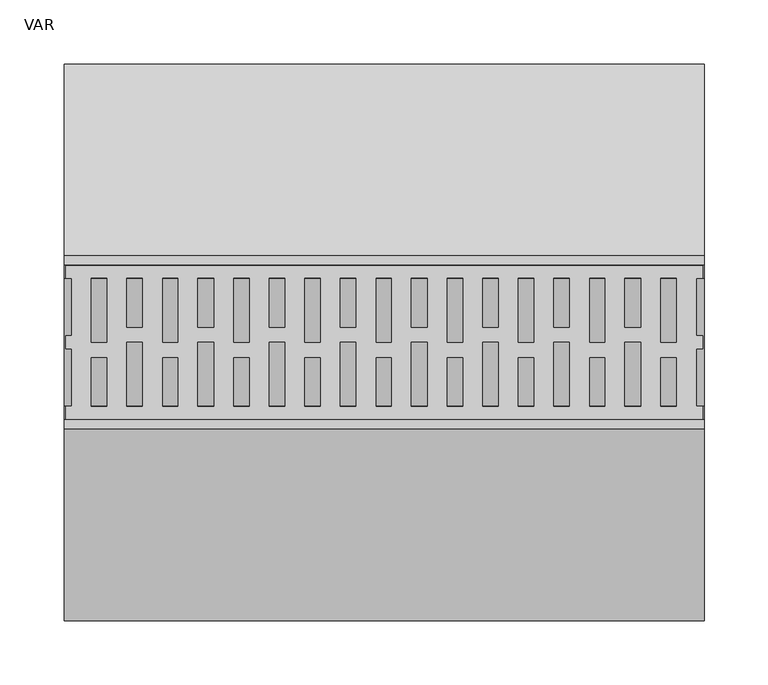
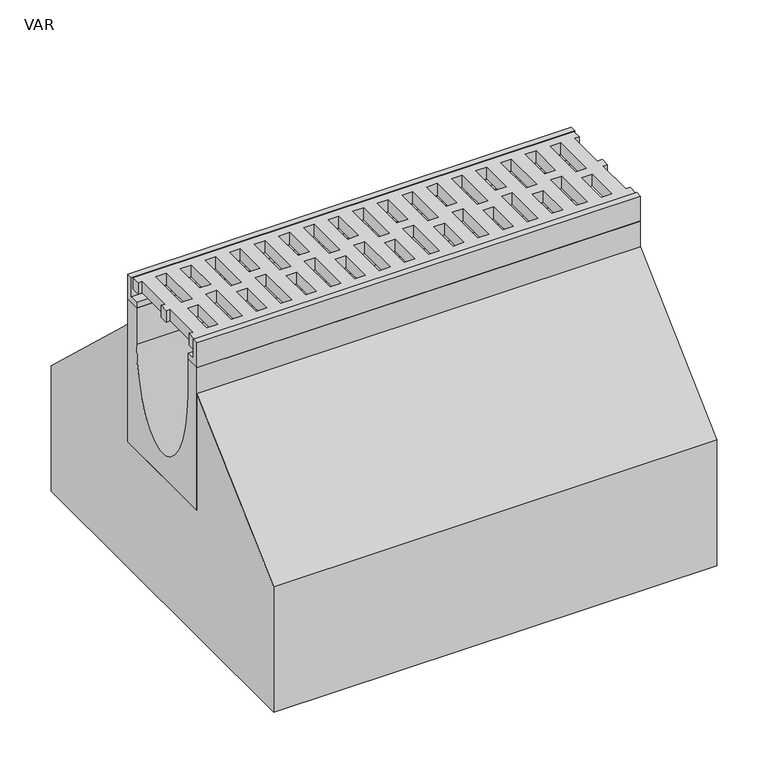
"""IFC4 building model written with IfcOpenShell, lengths in millimetres: flow terminal geometry, VAR."""

from ifc_helpers import new_model, si_unit, point, frame, origin, place, context, project, spatial, polyline, ellipse_curve, trimmed, outline, extrude, source, transform, mapped, element, save
from ifc_brep_helpers import plane_surface, extruded_surface, advanced_brep


def var_8a124b50(model_context):
    return source(origin(), model_context, "Body", "SolidModel", [
        extrude(outline(polyline([(499.0, 50.0), (493.7871589, 50.0), (493.7871589, 5.0), (499.0, 5.0), (499.0, -5.0), (493.9604202, -5.0), (493.9604202, -50.0), (499.0, -50.0), (499.0, -60.0), (1.5, -60.0), (1.5, -50.0), (6.0847381, -50.0), (6.0847381, -5.0), (1.5, -5.0), (1.5, 5.0), (6.0847381, 5.0), (6.0847381, 50.0), (1.5, 50.0), (1.5, 60.0), (499.0, 60.0), (499.0, 50.0)]), holes=[polyline([(478.2, 50.0), (466.2429028, 50.0), (466.2429028, 0.0), (478.2, 0.0), (478.2, 50.0)]), polyline([(422.6, 50.0), (410.6429028, 50.0), (410.6429028, 0.0), (422.6, 0.0), (422.6, 50.0)]), polyline([(367.0, 50.0), (355.0429028, 50.0), (355.0429028, 0.0), (367.0, 0.0), (367.0, 50.0)]), polyline([(311.4, 50.0), (299.4429028, 50.0), (299.4429028, 0.0), (311.4, 0.0), (311.4, 50.0)]), polyline([(255.8, 50.0), (243.8429028, 50.0), (243.8429028, 0.0), (255.8, 0.0), (255.8, 50.0)]), polyline([(200.2, 50.0), (188.2429028, 50.0), (188.2429028, 0.0), (200.2, 0.0), (200.2, 50.0)]), polyline([(144.6, 50.0), (132.6429028, 50.0), (132.6429028, 0.0), (144.6, 0.0), (144.6, 50.0)]), polyline([(89.0, 50.0), (77.0429028, 50.0), (77.0429028, 0.0), (89.0, 0.0), (89.0, 50.0)]), polyline([(49.0305238, -50.0), (61.2, -50.0), (61.2, 0.0), (49.0305238, 0.0), (49.0305238, -50.0)]), polyline([(104.6305238, -50.0), (116.8, -50.0), (116.8, 0.0), (104.6305238, 0.0), (104.6305238, -50.0)]), polyline([(160.2305238, -50.0), (172.4, -50.0), (172.4, 0.0), (160.2305238, 0.0), (160.2305238, -50.0)]), polyline([(215.8305238, -50.0), (228.0, -50.0), (228.0, 0.0), (215.8305238, 0.0), (215.8305238, -50.0)]), polyline([(271.4305238, -50.0), (283.6, -50.0), (283.6, 0.0), (271.4305238, 0.0), (271.4305238, -50.0)]), polyline([(327.0305238, -50.0), (339.2, -50.0), (339.2, 0.0), (327.0305238, 0.0), (327.0305238, -50.0)]), polyline([(382.6305238, -50.0), (394.8, -50.0), (394.8, 0.0), (382.6305238, 0.0), (382.6305238, -50.0)]), polyline([(438.2305238, -50.0), (450.4, -50.0), (450.4, 0.0), (438.2305238, 0.0), (438.2305238, -50.0)]), polyline([(450.4, 50.0), (438.2305238, 50.0), (438.2305238, 11.948473), (450.4, 11.948473), (450.4, 50.0)]), polyline([(394.8, 50.0), (382.6305238, 50.0), (382.6305238, 11.948473), (394.8, 11.948473), (394.8, 50.0)]), polyline([(339.2, 50.0), (327.0305238, 50.0), (327.0305238, 11.948473), (339.2, 11.948473), (339.2, 50.0)]), polyline([(283.6, 50.0), (271.4305238, 50.0), (271.4305238, 11.948473), (283.6, 11.948473), (283.6, 50.0)]), polyline([(228.0, 50.0), (215.8305238, 50.0), (215.8305238, 11.948473), (228.0, 11.948473), (228.0, 50.0)]), polyline([(172.4, 50.0), (160.2305238, 50.0), (160.2305238, 11.948473), (172.4, 11.948473), (172.4, 50.0)]), polyline([(116.8, 50.0), (104.6305238, 50.0), (104.6305238, 11.948473), (116.8, 11.948473), (116.8, 50.0)]), polyline([(61.2, 50.0), (49.0305238, 50.0), (49.0305238, 11.948473), (61.2, 11.948473), (61.2, 50.0)]), polyline([(478.2, -50.0), (478.2, -11.948473), (466.2, -11.948473), (466.2, -50.0), (478.2, -50.0)]), polyline([(422.6, -50.0), (422.6, -11.948473), (410.6, -11.948473), (410.6, -50.0), (422.6, -50.0)]), polyline([(367.0, -50.0), (367.0, -11.948473), (355.0, -11.948473), (355.0, -50.0), (367.0, -50.0)]), polyline([(311.4, -50.0), (311.4, -11.948473), (299.4, -11.948473), (299.4, -50.0), (311.4, -50.0)]), polyline([(255.8, -50.0), (255.8, -11.948473), (243.8, -11.948473), (243.8, -50.0), (255.8, -50.0)]), polyline([(200.2, -50.0), (200.2, -11.948473), (188.2, -11.948473), (188.2, -50.0), (200.2, -50.0)]), polyline([(144.6, -50.0), (144.6, -11.948473), (132.6, -11.948473), (132.6, -50.0), (144.6, -50.0)]), polyline([(89.0, -50.0), (89.0, -11.948473), (77.0, -11.948473), (77.0, -50.0), (89.0, -50.0)]), polyline([(33.4, -50.0), (33.4, -11.948473), (21.4, -11.948473), (21.4, -50.0), (33.4, -50.0)]), polyline([(33.4, 50.0), (21.4429028, 50.0), (21.4429028, 0.0), (33.4, 0.0), (33.4, 50.0)])]), frame((0.0, 0.0, -14.0), z_axis=(0.0, 0.0, 1.0), x_axis=(1.0, 0.0, 0.0)), (0.0, 0.0, 1.0), 14.0),
        advanced_brep(
        [(0.0, 50.0, -30.0), (0.0, 67.5, -30.0), (0.0, 67.5, -200.0), (0.0, -67.5, -200.0), (0.0, -67.5, -30.0), (0.0, -50.0, -30.0), (0.0, -50.0, -73.0), (0.0, 50.0, -73.0), (500.0, 50.0, -30.0), (500.0, 50.0, -73.0), (500.0, -50.0, -73.0), (500.0, -50.0, -30.0), (500.0, -67.5, -30.0), (500.0, -67.5, -200.0), (500.0, 67.5, -200.0), (500.0, 67.5, -30.0)],
        [
            (0, 1),
            (1, 2),
            (2, 3),
            (3, 4),
            (4, 5),
            (5, 6),
            (6, 7, ellipse_curve(frame((0.0, 0.0, -73.0), z_axis=(1.0, 0.0, 0.0), x_axis=(0.0, 1.0, 0.0)), 50.0, 100.0)),
            (7, 0),
            (8, 9),
            (9, 10, ellipse_curve(frame((500.0, 0.0, -73.0), z_axis=(-1.0, 0.0, 0.0), x_axis=(0.0, 1.0, 0.0)), 50.0, 100.0)),
            (10, 11),
            (11, 12),
            (12, 13),
            (13, 14),
            (14, 15),
            (15, 8),
            (8, 0),
            (7, 9),
            (6, 10),
            (5, 11),
            (4, 12),
            (3, 13),
            (2, 14),
            (1, 15),
        ],
        [
            plane_surface(frame((0.0, 0.0, -83.25), z_axis=(-1.0, 0.0, 0.0), x_axis=(0.0, 0.0, -1.0))),
            plane_surface(frame((500.0, 0.0, -83.25), z_axis=(1.0, 0.0, 0.0), x_axis=(0.0, 0.0, -1.0))),
            plane_surface(frame((500.0, 50.0, -51.5), z_axis=(0.0, -1.0, 0.0), x_axis=(0.0, 0.0, -1.0))),
            extruded_surface(trimmed(ellipse_curve(frame((0.0, 0.0, -73.0), z_axis=(-1.0, 0.0, 0.0), x_axis=(0.0, 1.0, 0.0)), 50.0, 100.0), [point((0.0, 50.0, -73.0))], [point((0.0, -50.0, -73.0))], True, "CARTESIAN"), (500.0, 0.0, 0.0), 500.0),
            plane_surface(frame((500.0, -50.0, -51.5), z_axis=(0.0, 1.0, 0.0), x_axis=(0.0, 0.0, 1.0))),
            plane_surface(frame((500.0, -58.75, -30.0), z_axis=(0.0, 0.0, 1.0), x_axis=(0.0, -1.0, 0.0))),
            plane_surface(frame((500.0, -67.5, -115.0), z_axis=(0.0, -1.0, 0.0), x_axis=(0.0, 0.0, -1.0))),
            plane_surface(frame((500.0, 0.0, -200.0), z_axis=(0.0, 0.0, -1.0), x_axis=(0.0, 1.0, 0.0))),
            plane_surface(frame((500.0, 67.5, -115.0), z_axis=(0.0, 1.0, 0.0), x_axis=(0.0, 0.0, 1.0))),
            plane_surface(frame((500.0, 58.75, -30.0), z_axis=(0.0, 0.0, 1.0), x_axis=(0.0, -1.0, 0.0))),
        ],
        [
            (0, [[1, 2, 3, 4, 5, 6, 7, 8]]),
            (1, [[9, 10, 11, 12, 13, 14, 15, 16]]),
            (2, [[17, -8, 18, -9]]),
            (3, [[-18, -7, 19, -10]]),
            (4, [[-19, -6, 20, -11]]),
            (5, [[-20, -5, 21, -12]]),
            (6, [[-21, -4, 22, -13]]),
            (7, [[-22, -3, 23, -14]]),
            (8, [[-23, -2, 24, -15]]),
            (9, [[-24, -1, -17, -16]]),
        ],
    ),
        extrude(outline(polyline([(60.5, 0.0), (67.5, 0.0), (67.5, -30.0), (50.0, -30.0), (50.0, -23.0), (60.5, -23.0), (60.5, 0.0)])), frame((0.0, 0.0, 0.0), z_axis=(1.0, 0.0, 0.0), x_axis=(0.0, 1.0, 0.0)), (0.0, 0.0, 1.0), 500.0),
        extrude(outline(polyline([(-60.5, 0.0), (-60.5, -23.0), (-50.0, -23.0), (-50.0, -30.0), (-67.5, -30.0), (-67.5, 0.0), (-60.5, 0.0)])), frame((0.0, 0.0, 0.0), z_axis=(1.0, 0.0, 0.0), x_axis=(0.0, 1.0, 0.0)), (0.0, 0.0, 1.0), 500.0),
        extrude(outline(polyline([(67.5, -200.0), (67.5, -60.0), (217.5, -200.0), (217.5, -350.0), (-217.5, -350.0), (-217.5, -200.0), (-67.5, -60.0), (-67.5, -200.0), (67.5, -200.0)])), frame((0.0, 0.0, 0.0), z_axis=(1.0, 0.0, 0.0), x_axis=(0.0, 1.0, 0.0)), (0.0, 0.0, 1.0), 500.0),
    ])


if __name__ == "__main__":
    model = new_model("IFC4")
    model_context = context("Model", 3, world=origin())
    ifc_project = project(units=[si_unit("LENGTHUNIT", "METRE", prefix="MILLI")], contexts=[model_context])
    site = spatial("IfcSite", under=ifc_project)
    building = spatial("IfcBuilding", under=site)
    placement = place(None, origin())
    var_shape = var_8a124b50(model_context)
    element("IfcFlowTerminal", 1, ObjectType="VAR", at=placement, inside=building, context=model_context, shape_type="MappedRepresentation", body=[
        mapped(var_shape, transform((0.0, 0.0, 0.0), x_axis=(1.0, 0.0, 0.0), y_axis=(0.0, 1.0, 0.0), z_axis=(0.0, 0.0, 1.0))),
    ])
    save(model, "model.ifc")
